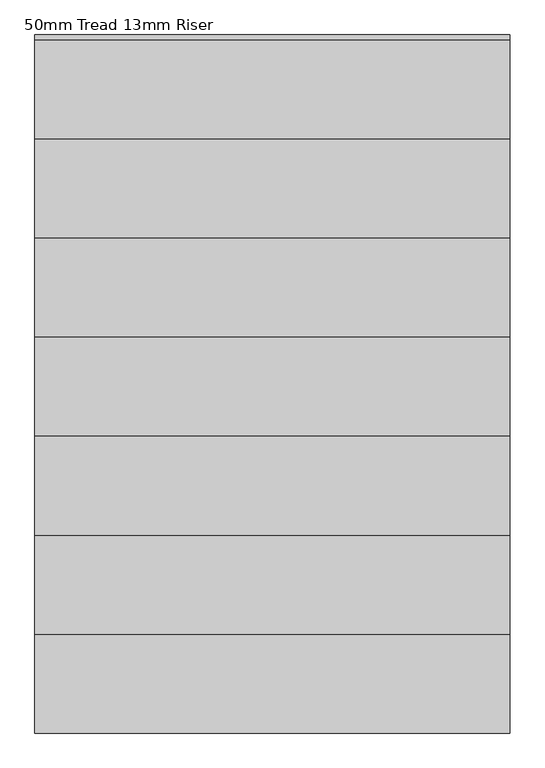
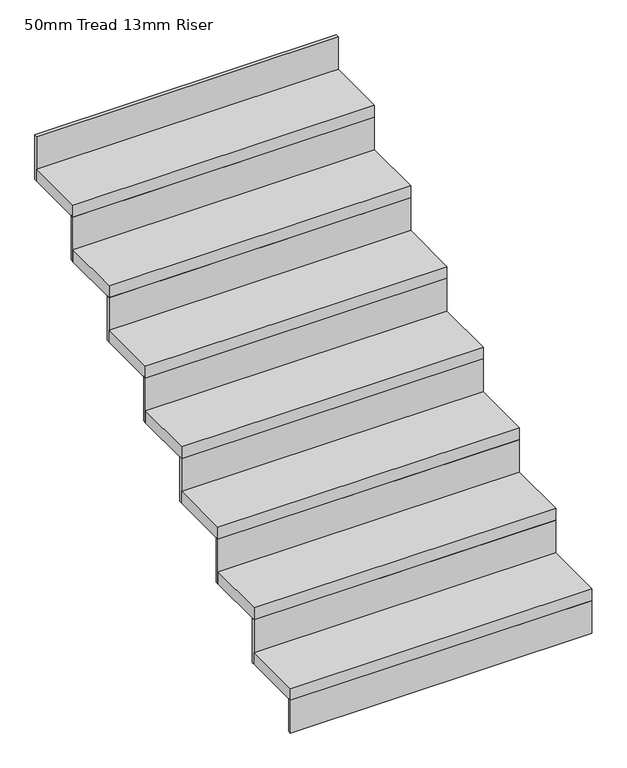
"""IFC4 building model written with IfcOpenShell, lengths in millimetres: stair flight geometry, 50mm Tread 13mm Riser."""

from ifc_helpers import new_model, si_unit, frame, origin, place, context, project, spatial, polyline, outline, extrude, source, transform, mapped, element, save


def stair_flight_50mm_tread_13mm_riser_9c19191c(model_context):
    return source(origin(), model_context, "Body", "SweptSolid", [
        extrude(outline(polyline([(-21418.8294643, 1090.3449078), (-21418.8294643, 1077.8449078), (-22618.8294643, 1077.8449078), (-22618.8294643, 1090.3449078), (-21418.8294643, 1090.3449078)])), frame((0.0, 0.0, -3000.0), z_axis=(0.0, 0.0, 1.0), x_axis=(1.0, 0.0, 0.0)), (0.0, 0.0, 1.0), 137.5),
        extrude(outline(polyline([(-22618.8294643, 1327.8449078), (-21418.8294643, 1327.8449078), (-21418.8294643, 1077.8449078), (-22618.8294643, 1077.8449078), (-22618.8294643, 1327.8449078)])), frame((0.0, 0.0, -2862.5), z_axis=(0.0, 0.0, 1.0), x_axis=(1.0, 0.0, 0.0)), (0.0, 0.0, 1.0), 50.0),
        extrude(outline(polyline([(-21418.8294643, 1340.3449078), (-21418.8294643, 1327.8449078), (-22618.8294643, 1327.8449078), (-22618.8294643, 1340.3449078), (-21418.8294643, 1340.3449078)])), frame((0.0, 0.0, -2862.5), z_axis=(0.0, 0.0, 1.0), x_axis=(1.0, 0.0, 0.0)), (0.0, 0.0, 1.0), 187.5),
        extrude(outline(polyline([(-22618.8294643, 1577.8449078), (-21418.8294643, 1577.8449078), (-21418.8294643, 1327.8449078), (-22618.8294643, 1327.8449078), (-22618.8294643, 1577.8449078)])), frame((0.0, 0.0, -2675.0), z_axis=(0.0, 0.0, 1.0), x_axis=(1.0, 0.0, 0.0)), (0.0, 0.0, 1.0), 50.0),
        extrude(outline(polyline([(-21418.8294643, 1590.3449078), (-21418.8294643, 1577.8449078), (-22618.8294643, 1577.8449078), (-22618.8294643, 1590.3449078), (-21418.8294643, 1590.3449078)])), frame((0.0, 0.0, -2675.0), z_axis=(0.0, 0.0, 1.0), x_axis=(1.0, 0.0, 0.0)), (0.0, 0.0, 1.0), 187.5),
        extrude(outline(polyline([(-22618.8294643, 1827.8449078), (-21418.8294643, 1827.8449078), (-21418.8294643, 1577.8449078), (-22618.8294643, 1577.8449078), (-22618.8294643, 1827.8449078)])), frame((0.0, 0.0, -2487.5), z_axis=(0.0, 0.0, 1.0), x_axis=(1.0, 0.0, 0.0)), (0.0, 0.0, 1.0), 50.0),
        extrude(outline(polyline([(-21418.8294643, 1840.3449078), (-21418.8294643, 1827.8449078), (-22618.8294643, 1827.8449078), (-22618.8294643, 1840.3449078), (-21418.8294643, 1840.3449078)])), frame((0.0, 0.0, -2487.5), z_axis=(0.0, 0.0, 1.0), x_axis=(1.0, 0.0, 0.0)), (0.0, 0.0, 1.0), 187.5),
        extrude(outline(polyline([(-22618.8294643, 2077.8449078), (-21418.8294643, 2077.8449078), (-21418.8294643, 1827.8449078), (-22618.8294643, 1827.8449078), (-22618.8294643, 2077.8449078)])), frame((0.0, 0.0, -2300.0), z_axis=(0.0, 0.0, 1.0), x_axis=(1.0, 0.0, 0.0)), (0.0, 0.0, 1.0), 50.0),
        extrude(outline(polyline([(-21418.8294643, 2090.3449078), (-21418.8294643, 2077.8449078), (-22618.8294643, 2077.8449078), (-22618.8294643, 2090.3449078), (-21418.8294643, 2090.3449078)])), frame((0.0, 0.0, -2300.0), z_axis=(0.0, 0.0, 1.0), x_axis=(1.0, 0.0, 0.0)), (0.0, 0.0, 1.0), 187.5),
        extrude(outline(polyline([(-22618.8294643, 2327.8449078), (-21418.8294643, 2327.8449078), (-21418.8294643, 2077.8449078), (-22618.8294643, 2077.8449078), (-22618.8294643, 2327.8449078)])), frame((0.0, 0.0, -2112.5), z_axis=(0.0, 0.0, 1.0), x_axis=(1.0, 0.0, 0.0)), (0.0, 0.0, 1.0), 50.0),
        extrude(outline(polyline([(-21418.8294643, 2340.3449078), (-21418.8294643, 2327.8449078), (-22618.8294643, 2327.8449078), (-22618.8294643, 2340.3449078), (-21418.8294643, 2340.3449078)])), frame((0.0, 0.0, -2112.5), z_axis=(0.0, 0.0, 1.0), x_axis=(1.0, 0.0, 0.0)), (0.0, 0.0, 1.0), 187.5),
        extrude(outline(polyline([(-22618.8294643, 2577.8449078), (-21418.8294643, 2577.8449078), (-21418.8294643, 2327.8449078), (-22618.8294643, 2327.8449078), (-22618.8294643, 2577.8449078)])), frame((0.0, 0.0, -1925.0), z_axis=(0.0, 0.0, 1.0), x_axis=(1.0, 0.0, 0.0)), (0.0, 0.0, 1.0), 50.0),
        extrude(outline(polyline([(-21418.8294643, 2590.3449078), (-21418.8294643, 2577.8449078), (-22618.8294643, 2577.8449078), (-22618.8294643, 2590.3449078), (-21418.8294643, 2590.3449078)])), frame((0.0, 0.0, -1925.0), z_axis=(0.0, 0.0, 1.0), x_axis=(1.0, 0.0, 0.0)), (0.0, 0.0, 1.0), 187.5),
        extrude(outline(polyline([(-22618.8294643, 2827.8449078), (-21418.8294643, 2827.8449078), (-21418.8294643, 2577.8449078), (-22618.8294643, 2577.8449078), (-22618.8294643, 2827.8449078)])), frame((0.0, 0.0, -1737.5), z_axis=(0.0, 0.0, 1.0), x_axis=(1.0, 0.0, 0.0)), (0.0, 0.0, 1.0), 50.0),
        extrude(outline(polyline([(-21418.8294643, 2840.3449078), (-21418.8294643, 2827.8449078), (-22618.8294643, 2827.8449078), (-22618.8294643, 2840.3449078), (-21418.8294643, 2840.3449078)])), frame((0.0, 0.0, -1737.5), z_axis=(0.0, 0.0, 1.0), x_axis=(1.0, 0.0, 0.0)), (0.0, 0.0, 1.0), 187.5),
    ])


if __name__ == "__main__":
    model = new_model("IFC4")
    model_context = context("Model", 3, world=origin())
    ifc_project = project(units=[si_unit("LENGTHUNIT", "METRE", prefix="MILLI")], contexts=[model_context])
    site = spatial("IfcSite", under=ifc_project)
    building = spatial("IfcBuilding", under=site)
    placement = place(None, origin())
    stair_flight_50mm_tread_13mm_riser_shape = stair_flight_50mm_tread_13mm_riser_9c19191c(model_context)
    element("IfcStairFlight", 1, ObjectType="50mm Tread 13mm Riser", at=placement, inside=building, context=model_context, shape_type="MappedRepresentation", body=[
        mapped(stair_flight_50mm_tread_13mm_riser_shape, transform((0.0, 0.0, 0.0), x_axis=(1.0, 0.0, 0.0), y_axis=(0.0, 1.0, 0.0), z_axis=(0.0, 0.0, 1.0))),
    ])
    save(model, "model.ifc")
